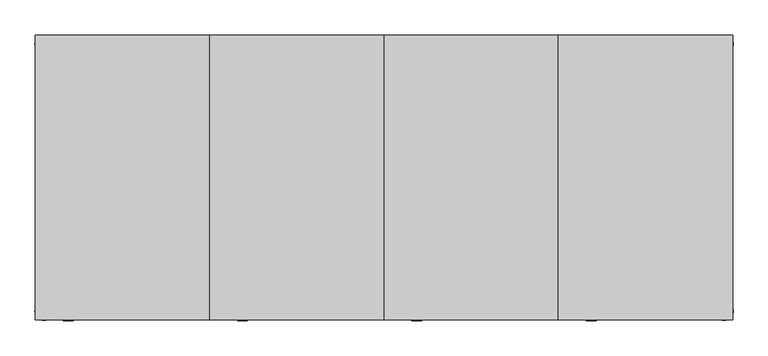
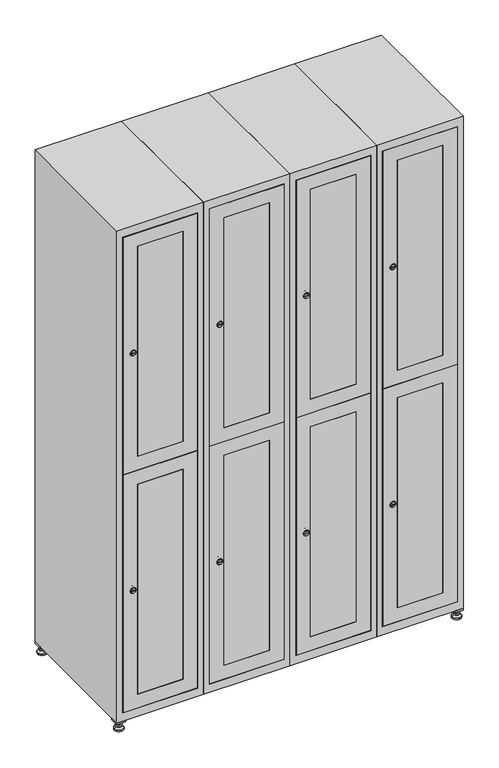
"""IFC4 building model written with IfcOpenShell, lengths in millimetres: furniture geometry."""

from ifc_helpers import new_model, si_unit, point, frame, frame_2d, origin, origin_with_axes, place, context, project, spatial, polyline, circle_curve, trimmed, segment, composite_curve, outline, extrude, faceted_brep, source, transform, mapped, element, save
from ifc_brep_helpers import plane_surface, revolved_surface, advanced_brep


def furniture_8f48bf38(model_context):
    return source(origin(), model_context, "Body", "SolidModel", [
        extrude(outline(polyline([(1000.0, 245.0), (1000.0, 215.0), (970.0, 215.0), (970.0, 245.0), (1000.0, 245.0)]), holes=[polyline([(998.0, 243.0), (972.0, 243.0), (972.0, 217.0), (998.0, 217.0), (998.0, 243.0)])]), frame((0.0, 0.0, 28.5), z_axis=(0.0, 0.0, 1.0), x_axis=(1.0, 0.0, 0.0)), (0.0, 0.0, 1.0), 6.5),
        extrude(outline(polyline([(970.0, -245.0), (970.0, -215.0), (1000.0, -215.0), (1000.0, -245.0), (970.0, -245.0)]), holes=[polyline([(972.0, -243.0), (998.0, -243.0), (998.0, -217.0), (972.0, -217.0), (972.0, -243.0)])]), frame((0.0, 0.0, 28.5), z_axis=(0.0, 0.0, 1.0), x_axis=(1.0, 0.0, 0.0)), (0.0, 0.0, 1.0), 6.5),
        extrude(outline(polyline([(-170.0, 245.0), (-170.0, 215.0), (-200.0, 215.0), (-200.0, 245.0), (-170.0, 245.0)]), holes=[polyline([(-172.0, 243.0), (-198.0, 243.0), (-198.0, 217.0), (-172.0, 217.0), (-172.0, 243.0)])]), frame((0.0, 0.0, 28.5), z_axis=(0.0, 0.0, 1.0), x_axis=(1.0, 0.0, 0.0)), (0.0, 0.0, 1.0), 6.5),
        extrude(outline(polyline([(-170.0, -215.0), (-170.0, -245.0), (-200.0, -245.0), (-200.0, -215.0), (-170.0, -215.0)]), holes=[polyline([(-198.0, -243.0), (-172.0, -243.0), (-172.0, -217.0), (-198.0, -217.0), (-198.0, -243.0)])]), frame((0.0, 0.0, 28.5), z_axis=(0.0, 0.0, 1.0), x_axis=(1.0, 0.0, 0.0)), (0.0, 0.0, 1.0), 6.5),
        extrude(outline(composite_curve([segment(trimmed(circle_curve(frame_2d((-185.0, 230.0)), 5.0), [point((-180.0, 230.0))], [point((-190.0, 230.0))], False, "CARTESIAN"), True, "CONTINUOUS"), segment(trimmed(circle_curve(frame_2d((-185.0, 230.0)), 5.0), [point((-190.0, 230.0))], [point((-180.0, 230.0))], False, "CARTESIAN"), True, "CONTINUOUS")], self_intersect=False)), frame((0.0, 0.0, 19.6), z_axis=(0.0, 0.0, 1.0), x_axis=(1.0, 0.0, 0.0)), (0.0, 0.0, 1.0), 15.4),
        extrude(outline(composite_curve([segment(trimmed(circle_curve(frame_2d((-185.0, -230.0)), 5.0), [point((-180.0, -230.0))], [point((-190.0, -230.0))], False, "CARTESIAN"), True, "CONTINUOUS"), segment(trimmed(circle_curve(frame_2d((-185.0, -230.0)), 5.0), [point((-190.0, -230.0))], [point((-180.0, -230.0))], False, "CARTESIAN"), True, "CONTINUOUS")], self_intersect=False)), frame((0.0, 0.0, 19.6), z_axis=(0.0, 0.0, 1.0), x_axis=(1.0, 0.0, 0.0)), (0.0, 0.0, 1.0), 15.4),
        extrude(outline(composite_curve([segment(trimmed(circle_curve(frame_2d((985.0, 230.0)), 5.0), [point((990.0, 230.0))], [point((980.0, 230.0))], False, "CARTESIAN"), True, "CONTINUOUS"), segment(trimmed(circle_curve(frame_2d((985.0, 230.0)), 5.0), [point((980.0, 230.0))], [point((990.0, 230.0))], False, "CARTESIAN"), True, "CONTINUOUS")], self_intersect=False)), frame((0.0, 0.0, 19.6), z_axis=(0.0, 0.0, 1.0), x_axis=(1.0, 0.0, 0.0)), (0.0, 0.0, 1.0), 15.4),
        extrude(outline(polyline([(973.4529946, 230.0), (979.2264973, 240.0), (990.7735027, 240.0), (996.5470054, 230.0), (990.7735027, 220.0), (979.2264973, 220.0), (973.4529946, 230.0)])), frame((0.0, 0.0, 13.6), z_axis=(0.0, 0.0, 1.0), x_axis=(1.0, 0.0, 0.0)), (0.0, 0.0, 1.0), 6.0),
        extrude(outline(composite_curve([segment(trimmed(circle_curve(frame_2d((985.0, -230.0)), 5.0), [point((990.0, -230.0))], [point((980.0, -230.0))], False, "CARTESIAN"), True, "CONTINUOUS"), segment(trimmed(circle_curve(frame_2d((985.0, -230.0)), 5.0), [point((980.0, -230.0))], [point((990.0, -230.0))], False, "CARTESIAN"), True, "CONTINUOUS")], self_intersect=False)), frame((0.0, 0.0, 19.6), z_axis=(0.0, 0.0, 1.0), x_axis=(1.0, 0.0, 0.0)), (0.0, 0.0, 1.0), 15.4),
        extrude(outline(polyline([(973.4529946, -230.0), (979.2264973, -220.0), (990.7735027, -220.0), (996.5470054, -230.0), (990.7735027, -240.0), (979.2264973, -240.0), (973.4529946, -230.0)])), frame((0.0, 0.0, 13.6), z_axis=(0.0, 0.0, 1.0), x_axis=(1.0, 0.0, 0.0)), (0.0, 0.0, 1.0), 6.0),
        extrude(outline(composite_curve([segment(trimmed(circle_curve(frame_2d((985.0, 230.0)), 5.0), [point((990.0, 230.0))], [point((980.0, 230.0))], False, "CARTESIAN"), True, "CONTINUOUS"), segment(trimmed(circle_curve(frame_2d((985.0, 230.0)), 5.0), [point((980.0, 230.0))], [point((990.0, 230.0))], False, "CARTESIAN"), True, "CONTINUOUS")], self_intersect=False)), frame((0.0, 0.0, 12.1), z_axis=(0.0, 0.0, 1.0), x_axis=(1.0, 0.0, 0.0)), (0.0, 0.0, 1.0), 1.5),
        extrude(outline(composite_curve([segment(trimmed(circle_curve(frame_2d((985.0, -230.0)), 5.0), [point((990.0, -230.0))], [point((980.0, -230.0))], False, "CARTESIAN"), True, "CONTINUOUS"), segment(trimmed(circle_curve(frame_2d((985.0, -230.0)), 5.0), [point((980.0, -230.0))], [point((990.0, -230.0))], False, "CARTESIAN"), True, "CONTINUOUS")], self_intersect=False)), frame((0.0, 0.0, 12.1), z_axis=(0.0, 0.0, 1.0), x_axis=(1.0, 0.0, 0.0)), (0.0, 0.0, 1.0), 1.5),
        extrude(outline(polyline([(-196.5470054, 230.0), (-190.7735027, 240.0), (-179.2264973, 240.0), (-173.4529946, 230.0), (-179.2264973, 220.0), (-190.7735027, 220.0), (-196.5470054, 230.0)])), frame((0.0, 0.0, 13.6), z_axis=(0.0, 0.0, 1.0), x_axis=(1.0, 0.0, 0.0)), (0.0, 0.0, 1.0), 6.0),
        extrude(outline(polyline([(-196.5470054, -230.0), (-190.7735027, -220.0), (-179.2264973, -220.0), (-173.4529946, -230.0), (-179.2264973, -240.0), (-190.7735027, -240.0), (-196.5470054, -230.0)])), frame((0.0, 0.0, 13.6), z_axis=(0.0, 0.0, 1.0), x_axis=(1.0, 0.0, 0.0)), (0.0, 0.0, 1.0), 6.0),
        extrude(outline(composite_curve([segment(trimmed(circle_curve(frame_2d((-185.0, 230.0)), 5.0), [point((-185.0, 235.0))], [point((-185.0, 225.0))], False, "CARTESIAN"), True, "CONTINUOUS"), segment(trimmed(circle_curve(frame_2d((-185.0, 230.0)), 5.0), [point((-185.0, 225.0))], [point((-185.0, 235.0))], False, "CARTESIAN"), True, "CONTINUOUS")], self_intersect=False)), frame((0.0, 0.0, 12.1), z_axis=(0.0, 0.0, 1.0), x_axis=(1.0, 0.0, 0.0)), (0.0, 0.0, 1.0), 1.5),
        extrude(outline(composite_curve([segment(trimmed(circle_curve(frame_2d((-185.0, -230.0)), 5.0), [point((-180.0, -230.0))], [point((-190.0, -230.0))], False, "CARTESIAN"), True, "CONTINUOUS"), segment(trimmed(circle_curve(frame_2d((-185.0, -230.0)), 5.0), [point((-190.0, -230.0))], [point((-180.0, -230.0))], False, "CARTESIAN"), True, "CONTINUOUS")], self_intersect=False)), frame((0.0, 0.0, 12.1), z_axis=(0.0, 0.0, 1.0), x_axis=(1.0, 0.0, 0.0)), (0.0, 0.0, 1.0), 1.5),
        extrude(outline(composite_curve([segment(trimmed(circle_curve(frame_2d((985.0, 230.0)), 15.75), [point((1000.75, 230.0))], [point((969.25, 230.0))], False, "CARTESIAN"), True, "CONTINUOUS"), segment(trimmed(circle_curve(frame_2d((985.0, 230.0)), 15.75), [point((969.25, 230.0))], [point((1000.75, 230.0))], False, "CARTESIAN"), True, "CONTINUOUS")], self_intersect=False)), origin_with_axes(), (0.0, 0.0, 1.0), 5.1),
        extrude(outline(composite_curve([segment(trimmed(circle_curve(frame_2d((985.0, -230.0)), 15.75), [point((985.0, -214.25))], [point((985.0, -245.75))], False, "CARTESIAN"), True, "CONTINUOUS"), segment(trimmed(circle_curve(frame_2d((985.0, -230.0)), 15.75), [point((985.0, -245.75))], [point((985.0, -214.25))], False, "CARTESIAN"), True, "CONTINUOUS")], self_intersect=False)), origin_with_axes(), (0.0, 0.0, 1.0), 5.1),
        extrude(outline(composite_curve([segment(trimmed(circle_curve(frame_2d((-185.0, -230.0)), 15.75), [point((-169.25, -230.0))], [point((-200.75, -230.0))], False, "CARTESIAN"), True, "CONTINUOUS"), segment(trimmed(circle_curve(frame_2d((-185.0, -230.0)), 15.75), [point((-200.75, -230.0))], [point((-169.25, -230.0))], False, "CARTESIAN"), True, "CONTINUOUS")], self_intersect=False)), origin_with_axes(), (0.0, 0.0, 1.0), 5.1),
        extrude(outline(composite_curve([segment(trimmed(circle_curve(frame_2d((-185.0, 230.0)), 15.75), [point((-169.25, 230.0))], [point((-200.75, 230.0))], False, "CARTESIAN"), True, "CONTINUOUS"), segment(trimmed(circle_curve(frame_2d((-185.0, 230.0)), 15.75), [point((-200.75, 230.0))], [point((-169.25, 230.0))], False, "CARTESIAN"), True, "CONTINUOUS")], self_intersect=False)), origin_with_axes(), (0.0, 0.0, 1.0), 5.1),
        advanced_brep(
        [(-185.0, 245.75, 5.1), (-185.0, 214.25, 5.1), (-185.0, 239.5, 12.1), (-185.0, 220.5, 12.1)],
        [
            (0, 1, circle_curve(frame((-185.0, 230.0, 5.1), z_axis=(0.0, 0.0, -1.0), x_axis=(0.0, 1.0, 0.0)), 15.75)),
            (1, 0, circle_curve(frame((-185.0, 230.0, 5.1), z_axis=(0.0, 0.0, -1.0), x_axis=(0.0, -1.0, 0.0)), 15.75)),
            (2, 3, circle_curve(frame((-185.0, 230.0, 12.1), z_axis=(0.0, 0.0, 1.0), x_axis=(0.0, -1.0, 0.0)), 9.5)),
            (3, 2, circle_curve(frame((-185.0, 230.0, 12.1), z_axis=(0.0, 0.0, 1.0), x_axis=(0.0, 1.0, 0.0)), 9.5)),
            (3, 1),
            (0, 2),
        ],
        [
            plane_surface(frame((-185.0, 230.0, 5.1), z_axis=(0.0, 0.0, -1.0), x_axis=(1.0, 0.0, 0.0))),
            plane_surface(frame((-185.0, 230.0, 12.1), z_axis=(0.0, 0.0, 1.0), x_axis=(1.0, 0.0, 0.0))),
            revolved_surface(polyline([(-185.0, 220.5, 12.099999999999998), (-185.0, 214.25, 5.099999999999998)]), (-185.0, 230.0, 22.74), (0.0, 0.0, -1.0)),
            revolved_surface(polyline([(-185.0, 239.5, 12.099999999999998), (-185.0, 245.75, 5.099999999999998)]), (-185.0, 230.0, 22.74), (0.0, 0.0, -1.0)),
        ],
        [
            (0, [[1, 2]]),
            (1, [[3, 4]]),
            (2, [[-4, 5, -1, 6]]),
            (3, [[-3, -6, -2, -5]]),
        ],
    ),
        advanced_brep(
        [(985.0, 245.75, 5.1), (985.0, 214.25, 5.1), (985.0, 239.5, 12.1), (985.0, 220.5, 12.1)],
        [
            (0, 1, circle_curve(frame((985.0, 230.0, 5.1), z_axis=(0.0, 0.0, -1.0), x_axis=(0.0, 1.0, 0.0)), 15.75)),
            (1, 0, circle_curve(frame((985.0, 230.0, 5.1), z_axis=(0.0, 0.0, -1.0), x_axis=(0.0, -1.0, 0.0)), 15.75)),
            (2, 3, circle_curve(frame((985.0, 230.0, 12.1), z_axis=(0.0, 0.0, 1.0), x_axis=(0.0, -1.0, 0.0)), 9.5)),
            (3, 2, circle_curve(frame((985.0, 230.0, 12.1), z_axis=(0.0, 0.0, 1.0), x_axis=(0.0, 1.0, 0.0)), 9.5)),
            (3, 1),
            (0, 2),
        ],
        [
            plane_surface(frame((985.0, 230.0, 5.1), z_axis=(0.0, 0.0, -1.0), x_axis=(1.0, 0.0, 0.0))),
            plane_surface(frame((985.0, 230.0, 12.1), z_axis=(0.0, 0.0, 1.0), x_axis=(1.0, 0.0, 0.0))),
            revolved_surface(polyline([(985.0, 220.5, 12.099999999999998), (985.0, 214.25, 5.099999999999998)]), (985.0, 230.0, 22.74), (0.0, 0.0, -1.0)),
            revolved_surface(polyline([(985.0, 239.5, 12.099999999999998), (985.0, 245.75, 5.099999999999998)]), (985.0, 230.0, 22.74), (0.0, 0.0, -1.0)),
        ],
        [
            (0, [[1, 2]]),
            (1, [[3, 4]]),
            (2, [[-4, 5, -1, 6]]),
            (3, [[-3, -6, -2, -5]]),
        ],
    ),
        advanced_brep(
        [(994.5, -230.0, 12.1), (975.5, -230.0, 12.1), (1000.75, -230.0, 5.1), (969.25, -230.0, 5.1)],
        [
            (0, 1, circle_curve(frame((985.0, -230.0, 12.1), z_axis=(0.0, 0.0, 1.0), x_axis=(1.0, 0.0, 0.0)), 9.5)),
            (1, 0, circle_curve(frame((985.0, -230.0, 12.1), z_axis=(0.0, 0.0, 1.0), x_axis=(-1.0, 0.0, 0.0)), 9.5)),
            (2, 3, circle_curve(frame((985.0, -230.0, 5.1), z_axis=(0.0, 0.0, -1.0), x_axis=(-1.0, 0.0, 0.0)), 15.75)),
            (3, 2, circle_curve(frame((985.0, -230.0, 5.1), z_axis=(0.0, 0.0, -1.0), x_axis=(1.0, 0.0, 0.0)), 15.75)),
            (3, 1),
            (0, 2),
        ],
        [
            plane_surface(frame((985.0, -230.0, 12.1), z_axis=(0.0, 0.0, 1.0), x_axis=(0.0, 1.0, 0.0))),
            plane_surface(frame((985.0, -230.0, 5.1), z_axis=(0.0, 0.0, -1.0), x_axis=(0.0, 1.0, 0.0))),
            revolved_surface(polyline([(994.5, -230.0, 12.099999999999998), (1000.75, -230.0, 5.099999999999998)]), (985.0, -230.0, 22.74), (0.0, 0.0, -1.0)),
            revolved_surface(polyline([(975.5, -230.0, 12.099999999999998), (969.25, -230.0, 5.099999999999998)]), (985.0, -230.0, 22.74), (0.0, 0.0, -1.0)),
        ],
        [
            (0, [[1, 2]]),
            (1, [[3, 4]]),
            (2, [[-4, 5, -1, 6]]),
            (3, [[-3, -6, -2, -5]]),
        ],
    ),
        advanced_brep(
        [(-175.5, -230.0, 12.1), (-194.5, -230.0, 12.1), (-169.25, -230.0, 5.1), (-200.75, -230.0, 5.1)],
        [
            (0, 1, circle_curve(frame((-185.0, -230.0, 12.1), z_axis=(0.0, 0.0, 1.0), x_axis=(1.0, 0.0, 0.0)), 9.5)),
            (1, 0, circle_curve(frame((-185.0, -230.0, 12.1), z_axis=(0.0, 0.0, 1.0), x_axis=(-1.0, 0.0, 0.0)), 9.5)),
            (2, 3, circle_curve(frame((-185.0, -230.0, 5.1), z_axis=(0.0, 0.0, -1.0), x_axis=(-1.0, 0.0, 0.0)), 15.75)),
            (3, 2, circle_curve(frame((-185.0, -230.0, 5.1), z_axis=(0.0, 0.0, -1.0), x_axis=(1.0, 0.0, 0.0)), 15.75)),
            (3, 1),
            (0, 2),
        ],
        [
            plane_surface(frame((-185.0, -230.0, 12.1), z_axis=(0.0, 0.0, 1.0), x_axis=(0.0, 1.0, 0.0))),
            plane_surface(frame((-185.0, -230.0, 5.1), z_axis=(0.0, 0.0, -1.0), x_axis=(0.0, 1.0, 0.0))),
            revolved_surface(polyline([(-175.5, -230.0, 12.099999999999998), (-169.25, -230.0, 5.099999999999998)]), (-185.0, -230.0, 22.74), (0.0, 0.0, -1.0)),
            revolved_surface(polyline([(-194.5, -230.0, 12.099999999999998), (-200.75, -230.0, 5.099999999999998)]), (-185.0, -230.0, 22.74), (0.0, 0.0, -1.0)),
        ],
        [
            (0, [[1, 2]]),
            (1, [[3, 4]]),
            (2, [[-4, 5, -1, 6]]),
            (3, [[-3, -6, -2, -5]]),
        ],
    ),
        extrude(outline(composite_curve([segment(trimmed(circle_curve(frame_2d((1369.4, 729.6010534)), 7.0), [point((1376.4, 729.6010534))], [point((1362.4, 729.6010534))], False, "CARTESIAN"), True, "CONTINUOUS"), segment(polyline([(1362.4, 729.6010534), (1362.4, 757.6010534)]), True, "CONTINUOUS"), segment(trimmed(circle_curve(frame_2d((1369.4, 757.6010534)), 7.0), [point((1362.4, 757.6010534))], [point((1376.4, 757.6010534))], False, "CARTESIAN"), True, "CONTINUOUS"), segment(polyline([(1376.4, 757.6010534), (1376.4, 729.6010534)]), True, "CONTINUOUS")], self_intersect=False)), frame((0.0, -227.0, 0.0), z_axis=(0.0, 1.0, 0.0), x_axis=(0.0, 0.0, 1.0)), (0.0, 0.0, 1.0), 2.0),
        advanced_brep(
        [(764.9, -247.2, 1369.4), (747.9, -247.2, 1369.4), (751.4, -247.2, 1368.15), (751.4, -247.2, 1370.65), (761.4, -247.2, 1370.65), (761.4, -247.2, 1368.15), (766.9, -245.0, 1369.4), (745.9, -245.0, 1369.4), (751.4, -245.0, 1370.65), (751.4, -245.0, 1368.15), (761.4, -245.0, 1368.15), (761.4, -245.0, 1370.65)],
        [
            (0, 1, circle_curve(frame((756.4, -247.2, 1369.4), z_axis=(0.0, -1.0, 0.0), x_axis=(1.0, 0.0, 0.0)), 8.5)),
            (1, 0, circle_curve(frame((756.4, -247.2, 1369.4), z_axis=(0.0, -1.0, 0.0), x_axis=(-1.0, 0.0, 0.0)), 8.5)),
            (2, 3),
            (3, 4),
            (4, 5),
            (5, 2),
            (6, 7, circle_curve(frame((756.4, -245.0, 1369.4), z_axis=(0.0, 1.0, 0.0), x_axis=(-1.0, 0.0, 0.0)), 10.5)),
            (7, 6, circle_curve(frame((756.4, -245.0, 1369.4), z_axis=(0.0, 1.0, 0.0), x_axis=(1.0, 0.0, 0.0)), 10.5)),
            (8, 9),
            (9, 10),
            (10, 11),
            (11, 8),
            (0, 6),
            (7, 1),
            (8, 3),
            (2, 9),
            (11, 4),
            (10, 5),
        ],
        [
            plane_surface(frame((756.4, -247.2, 1369.4), z_axis=(0.0, -1.0, 0.0), x_axis=(0.0, 0.0, 1.0))),
            plane_surface(frame((756.4, -245.0, 1369.4), z_axis=(0.0, 1.0, 0.0), x_axis=(0.0, 0.0, 1.0))),
            revolved_surface(polyline([(764.9, -247.2, 1369.4), (766.9, -245.0, 1369.4)]), (756.4, -256.55, 1369.4), (0.0, 1.0, 0.0)),
            revolved_surface(polyline([(747.9, -247.2, 1369.4), (745.9, -245.0, 1369.4)]), (756.4, -256.55, 1369.4), (0.0, 1.0, 0.0)),
            plane_surface(frame((751.4, -245.0, 1368.15), z_axis=(1.0, 0.0, 0.0), x_axis=(0.0, -1.0, 0.0))),
            plane_surface(frame((751.4, -245.0, 1370.65), z_axis=(0.0, 0.0, -1.0), x_axis=(0.0, -1.0, 0.0))),
            plane_surface(frame((761.4, -245.0, 1370.65), z_axis=(-1.0, 0.0, 0.0), x_axis=(0.0, -1.0, 0.0))),
            plane_surface(frame((761.4, -245.0, 1368.15), z_axis=(0.0, 0.0, 1.0), x_axis=(0.0, -1.0, 0.0))),
        ],
        [
            (0, [[1, 2], [3, 4, 5, 6]]),
            (1, [[7, 8], [9, 10, 11, 12]]),
            (2, [[-1, 13, -8, 14]]),
            (3, [[-2, -14, -7, -13]]),
            (4, [[15, -3, 16, -9]]),
            (5, [[-15, -12, 17, -4]]),
            (6, [[-17, -11, 18, -5]]),
            (7, [[-16, -6, -18, -10]]),
        ],
    ),
        extrude(outline(composite_curve([segment(trimmed(circle_curve(frame_2d((500.6, 729.6010534)), 7.0), [point((507.6, 729.6010534))], [point((493.6, 729.6010534))], False, "CARTESIAN"), True, "CONTINUOUS"), segment(polyline([(493.6, 729.6010534), (493.6, 757.6010534)]), True, "CONTINUOUS"), segment(trimmed(circle_curve(frame_2d((500.6, 757.6010534)), 7.0), [point((493.6, 757.6010534))], [point((507.6, 757.6010534))], False, "CARTESIAN"), True, "CONTINUOUS"), segment(polyline([(507.6, 757.6010534), (507.6, 729.6010534)]), True, "CONTINUOUS")], self_intersect=False)), frame((0.0, -227.0, 0.0), z_axis=(0.0, 1.0, 0.0), x_axis=(0.0, 0.0, 1.0)), (0.0, 0.0, 1.0), 2.0),
        advanced_brep(
        [(764.9, -247.2, 500.6), (747.9, -247.2, 500.6), (751.4, -247.2, 499.35), (751.4, -247.2, 501.85), (761.4, -247.2, 501.85), (761.4, -247.2, 499.35), (766.9, -245.0, 500.6), (745.9, -245.0, 500.6), (751.4, -245.0, 501.85), (751.4, -245.0, 499.35), (761.4, -245.0, 499.35), (761.4, -245.0, 501.85)],
        [
            (0, 1, circle_curve(frame((756.4, -247.2, 500.6), z_axis=(0.0, -1.0, 0.0), x_axis=(1.0, 0.0, 0.0)), 8.5)),
            (1, 0, circle_curve(frame((756.4, -247.2, 500.6), z_axis=(0.0, -1.0, 0.0), x_axis=(-1.0, 0.0, 0.0)), 8.5)),
            (2, 3),
            (3, 4),
            (4, 5),
            (5, 2),
            (6, 7, circle_curve(frame((756.4, -245.0, 500.6), z_axis=(0.0, 1.0, 0.0), x_axis=(-1.0, 0.0, 0.0)), 10.5)),
            (7, 6, circle_curve(frame((756.4, -245.0, 500.6), z_axis=(0.0, 1.0, 0.0), x_axis=(1.0, 0.0, 0.0)), 10.5)),
            (8, 9),
            (9, 10),
            (10, 11),
            (11, 8),
            (0, 6),
            (7, 1),
            (8, 3),
            (2, 9),
            (11, 4),
            (10, 5),
        ],
        [
            plane_surface(frame((756.4, -247.2, 500.6), z_axis=(0.0, -1.0, 0.0), x_axis=(0.0, 0.0, 1.0))),
            plane_surface(frame((756.4, -245.0, 500.6), z_axis=(0.0, 1.0, 0.0), x_axis=(0.0, 0.0, 1.0))),
            revolved_surface(polyline([(764.9, -247.2, 500.6), (766.9, -245.0, 500.6)]), (756.4, -256.55, 500.6), (0.0, 1.0, 0.0)),
            revolved_surface(polyline([(747.9, -247.2, 500.6), (745.9, -245.0, 500.6)]), (756.4, -256.55, 500.6), (0.0, 1.0, 0.0)),
            plane_surface(frame((751.4, -245.0, 499.35), z_axis=(1.0, 0.0, 0.0), x_axis=(0.0, -1.0, 0.0))),
            plane_surface(frame((751.4, -245.0, 501.85), z_axis=(0.0, 0.0, -1.0), x_axis=(0.0, -1.0, 0.0))),
            plane_surface(frame((761.4, -245.0, 501.85), z_axis=(-1.0, 0.0, 0.0), x_axis=(0.0, -1.0, 0.0))),
            plane_surface(frame((761.4, -245.0, 499.35), z_axis=(0.0, 0.0, 1.0), x_axis=(0.0, -1.0, 0.0))),
        ],
        [
            (0, [[1, 2], [3, 4, 5, 6]]),
            (1, [[7, 8], [9, 10, 11, 12]]),
            (2, [[-1, 13, -8, 14]]),
            (3, [[-2, -14, -7, -13]]),
            (4, [[15, -3, 16, -9]]),
            (5, [[-15, -12, 17, -4]]),
            (6, [[-17, -11, 18, -5]]),
            (7, [[-16, -6, -18, -10]]),
        ],
    ),
        extrude(outline(polyline([(935.5, 978.6), (1803.8, 978.6), (1803.8, 721.4), (935.5, 721.4), (935.5, 978.6)]), holes=[polyline([(1753.8, 771.4), (1753.8, 928.6), (985.5, 928.6), (985.5, 771.4), (1753.8, 771.4)])]), frame((0.0, -245.0, 0.0), z_axis=(0.0, 1.0, 0.0), x_axis=(0.0, 0.0, 1.0)), (0.0, 0.0, 1.0), 18.0),
        extrude(outline(polyline([(934.5, 721.4), (66.2, 721.4), (66.2, 978.6), (934.5, 978.6), (934.5, 721.4)]), holes=[polyline([(116.2, 771.4), (884.5, 771.4), (884.5, 928.6), (116.2, 928.6), (116.2, 771.4)])]), frame((0.0, -245.0, 0.0), z_axis=(0.0, 1.0, 0.0), x_axis=(0.0, 0.0, 1.0)), (0.0, 0.0, 1.0), 18.0),
        extrude(outline(polyline([(928.6, -245.0), (771.4, -245.0), (771.4, -227.0), (928.6, -227.0), (928.6, -245.0)])), frame((0.0, 0.0, 985.5), z_axis=(0.0, 0.0, 1.0), x_axis=(1.0, 0.0, 0.0)), (0.0, 0.0, 1.0), 768.3),
        extrude(outline(polyline([(928.6, -245.0), (771.4, -245.0), (771.4, -227.0), (928.6, -227.0), (928.6, -245.0)])), frame((0.0, 0.0, 116.2), z_axis=(0.0, 0.0, 1.0), x_axis=(1.0, 0.0, 0.0)), (0.0, 0.0, 1.0), 768.3),
        extrude(outline(polyline([(979.6, 242.0), (979.6, -227.0), (720.4, -227.0), (720.4, 242.0), (979.6, 242.0)])), frame((0.0, 0.0, 924.8), z_axis=(0.0, 0.0, 1.0), x_axis=(1.0, 0.0, 0.0)), (0.0, 0.0, 1.0), 20.4),
        faceted_brep([(1000.0, -245.0, 35.0), (1000.0, -245.0, 1835.0), (700.0, -245.0, 1835.0), (700.0, -245.0, 35.0), (979.6, -245.0, 1804.8), (979.6, -245.0, 65.2), (720.4, -245.0, 65.2), (720.4, -245.0, 1804.8), (1000.0, 245.0, 35.0), (700.0, 245.0, 35.0), (1000.0, 245.0, 1835.0), (700.0, 245.0, 1835.0), (979.6, 242.0, 1804.8), (979.6, 242.0, 65.2), (700.0, 245.0, 1804.8), (720.4, 242.0, 1804.8), (720.4, 242.0, 65.2)], [[[0, 1, 2, 3], [4, 5, 6, 7]], [[8, 0, 3, 9]], [[1, 0, 8, 10]], [[1, 10, 11, 2]], [[4, 12, 13, 5]], [[9, 3, 2, 11, 14]], [[10, 8, 9, 14, 11]], [[12, 15, 16, 13]], [[15, 7, 6, 16]], [[4, 7, 15, 12]], [[6, 5, 13, 16]]]),
        extrude(outline(composite_curve([segment(trimmed(circle_curve(frame_2d((1369.4, 429.6010534)), 7.0), [point((1376.4, 429.6010534))], [point((1362.4, 429.6010534))], False, "CARTESIAN"), True, "CONTINUOUS"), segment(polyline([(1362.4, 429.6010534), (1362.4, 457.6010534)]), True, "CONTINUOUS"), segment(trimmed(circle_curve(frame_2d((1369.4, 457.6010534)), 7.0), [point((1362.4, 457.6010534))], [point((1376.4, 457.6010534))], False, "CARTESIAN"), True, "CONTINUOUS"), segment(polyline([(1376.4, 457.6010534), (1376.4, 429.6010534)]), True, "CONTINUOUS")], self_intersect=False)), frame((0.0, -227.0, 0.0), z_axis=(0.0, 1.0, 0.0), x_axis=(0.0, 0.0, 1.0)), (0.0, 0.0, 1.0), 2.0),
        advanced_brep(
        [(464.9, -247.2, 1369.4), (447.9, -247.2, 1369.4), (451.4, -247.2, 1368.15), (451.4, -247.2, 1370.65), (461.4, -247.2, 1370.65), (461.4, -247.2, 1368.15), (466.9, -245.0, 1369.4), (445.9, -245.0, 1369.4), (451.4, -245.0, 1370.65), (451.4, -245.0, 1368.15), (461.4, -245.0, 1368.15), (461.4, -245.0, 1370.65)],
        [
            (0, 1, circle_curve(frame((456.4, -247.2, 1369.4), z_axis=(0.0, -1.0, 0.0), x_axis=(1.0, 0.0, 0.0)), 8.5)),
            (1, 0, circle_curve(frame((456.4, -247.2, 1369.4), z_axis=(0.0, -1.0, 0.0), x_axis=(-1.0, 0.0, 0.0)), 8.5)),
            (2, 3),
            (3, 4),
            (4, 5),
            (5, 2),
            (6, 7, circle_curve(frame((456.4, -245.0, 1369.4), z_axis=(0.0, 1.0, 0.0), x_axis=(-1.0, 0.0, 0.0)), 10.5)),
            (7, 6, circle_curve(frame((456.4, -245.0, 1369.4), z_axis=(0.0, 1.0, 0.0), x_axis=(1.0, 0.0, 0.0)), 10.5)),
            (8, 9),
            (9, 10),
            (10, 11),
            (11, 8),
            (0, 6),
            (7, 1),
            (8, 3),
            (2, 9),
            (11, 4),
            (10, 5),
        ],
        [
            plane_surface(frame((456.4, -247.2, 1369.4), z_axis=(0.0, -1.0, 0.0), x_axis=(0.0, 0.0, 1.0))),
            plane_surface(frame((456.4, -245.0, 1369.4), z_axis=(0.0, 1.0, 0.0), x_axis=(0.0, 0.0, 1.0))),
            revolved_surface(polyline([(464.9, -247.2, 1369.4), (466.9, -245.0, 1369.4)]), (456.4, -256.55, 1369.4), (0.0, 1.0, 0.0)),
            revolved_surface(polyline([(447.9, -247.2, 1369.4), (445.9, -245.0, 1369.4)]), (456.4, -256.55, 1369.4), (0.0, 1.0, 0.0)),
            plane_surface(frame((451.4, -245.0, 1368.15), z_axis=(1.0, 0.0, 0.0), x_axis=(0.0, -1.0, 0.0))),
            plane_surface(frame((451.4, -245.0, 1370.65), z_axis=(0.0, 0.0, -1.0), x_axis=(0.0, -1.0, 0.0))),
            plane_surface(frame((461.4, -245.0, 1370.65), z_axis=(-1.0, 0.0, 0.0), x_axis=(0.0, -1.0, 0.0))),
            plane_surface(frame((461.4, -245.0, 1368.15), z_axis=(0.0, 0.0, 1.0), x_axis=(0.0, -1.0, 0.0))),
        ],
        [
            (0, [[1, 2], [3, 4, 5, 6]]),
            (1, [[7, 8], [9, 10, 11, 12]]),
            (2, [[-1, 13, -8, 14]]),
            (3, [[-2, -14, -7, -13]]),
            (4, [[15, -3, 16, -9]]),
            (5, [[-15, -12, 17, -4]]),
            (6, [[-17, -11, 18, -5]]),
            (7, [[-16, -6, -18, -10]]),
        ],
    ),
        extrude(outline(composite_curve([segment(trimmed(circle_curve(frame_2d((500.6, 429.6010534)), 7.0), [point((507.6, 429.6010534))], [point((493.6, 429.6010534))], False, "CARTESIAN"), True, "CONTINUOUS"), segment(polyline([(493.6, 429.6010534), (493.6, 457.6010534)]), True, "CONTINUOUS"), segment(trimmed(circle_curve(frame_2d((500.6, 457.6010534)), 7.0), [point((493.6, 457.6010534))], [point((507.6, 457.6010534))], False, "CARTESIAN"), True, "CONTINUOUS"), segment(polyline([(507.6, 457.6010534), (507.6, 429.6010534)]), True, "CONTINUOUS")], self_intersect=False)), frame((0.0, -227.0, 0.0), z_axis=(0.0, 1.0, 0.0), x_axis=(0.0, 0.0, 1.0)), (0.0, 0.0, 1.0), 2.0),
        advanced_brep(
        [(464.9, -247.2, 500.6), (447.9, -247.2, 500.6), (451.4, -247.2, 499.35), (451.4, -247.2, 501.85), (461.4, -247.2, 501.85), (461.4, -247.2, 499.35), (466.9, -245.0, 500.6), (445.9, -245.0, 500.6), (451.4, -245.0, 501.85), (451.4, -245.0, 499.35), (461.4, -245.0, 499.35), (461.4, -245.0, 501.85)],
        [
            (0, 1, circle_curve(frame((456.4, -247.2, 500.6), z_axis=(0.0, -1.0, 0.0), x_axis=(1.0, 0.0, 0.0)), 8.5)),
            (1, 0, circle_curve(frame((456.4, -247.2, 500.6), z_axis=(0.0, -1.0, 0.0), x_axis=(-1.0, 0.0, 0.0)), 8.5)),
            (2, 3),
            (3, 4),
            (4, 5),
            (5, 2),
            (6, 7, circle_curve(frame((456.4, -245.0, 500.6), z_axis=(0.0, 1.0, 0.0), x_axis=(-1.0, 0.0, 0.0)), 10.5)),
            (7, 6, circle_curve(frame((456.4, -245.0, 500.6), z_axis=(0.0, 1.0, 0.0), x_axis=(1.0, 0.0, 0.0)), 10.5)),
            (8, 9),
            (9, 10),
            (10, 11),
            (11, 8),
            (0, 6),
            (7, 1),
            (8, 3),
            (2, 9),
            (11, 4),
            (10, 5),
        ],
        [
            plane_surface(frame((456.4, -247.2, 500.6), z_axis=(0.0, -1.0, 0.0), x_axis=(0.0, 0.0, 1.0))),
            plane_surface(frame((456.4, -245.0, 500.6), z_axis=(0.0, 1.0, 0.0), x_axis=(0.0, 0.0, 1.0))),
            revolved_surface(polyline([(464.9, -247.2, 500.6), (466.9, -245.0, 500.6)]), (456.4, -256.55, 500.6), (0.0, 1.0, 0.0)),
            revolved_surface(polyline([(447.9, -247.2, 500.6), (445.9, -245.0, 500.6)]), (456.4, -256.55, 500.6), (0.0, 1.0, 0.0)),
            plane_surface(frame((451.4, -245.0, 499.35), z_axis=(1.0, 0.0, 0.0), x_axis=(0.0, -1.0, 0.0))),
            plane_surface(frame((451.4, -245.0, 501.85), z_axis=(0.0, 0.0, -1.0), x_axis=(0.0, -1.0, 0.0))),
            plane_surface(frame((461.4, -245.0, 501.85), z_axis=(-1.0, 0.0, 0.0), x_axis=(0.0, -1.0, 0.0))),
            plane_surface(frame((461.4, -245.0, 499.35), z_axis=(0.0, 0.0, 1.0), x_axis=(0.0, -1.0, 0.0))),
        ],
        [
            (0, [[1, 2], [3, 4, 5, 6]]),
            (1, [[7, 8], [9, 10, 11, 12]]),
            (2, [[-1, 13, -8, 14]]),
            (3, [[-2, -14, -7, -13]]),
            (4, [[15, -3, 16, -9]]),
            (5, [[-15, -12, 17, -4]]),
            (6, [[-17, -11, 18, -5]]),
            (7, [[-16, -6, -18, -10]]),
        ],
    ),
        extrude(outline(polyline([(935.5, 678.6), (1803.8, 678.6), (1803.8, 421.4), (935.5, 421.4), (935.5, 678.6)]), holes=[polyline([(1753.8, 471.4), (1753.8, 628.6), (985.5, 628.6), (985.5, 471.4), (1753.8, 471.4)])]), frame((0.0, -245.0, 0.0), z_axis=(0.0, 1.0, 0.0), x_axis=(0.0, 0.0, 1.0)), (0.0, 0.0, 1.0), 18.0),
        extrude(outline(polyline([(934.5, 421.4), (66.2, 421.4), (66.2, 678.6), (934.5, 678.6), (934.5, 421.4)]), holes=[polyline([(116.2, 471.4), (884.5, 471.4), (884.5, 628.6), (116.2, 628.6), (116.2, 471.4)])]), frame((0.0, -245.0, 0.0), z_axis=(0.0, 1.0, 0.0), x_axis=(0.0, 0.0, 1.0)), (0.0, 0.0, 1.0), 18.0),
        extrude(outline(polyline([(628.6, -245.0), (471.4, -245.0), (471.4, -227.0), (628.6, -227.0), (628.6, -245.0)])), frame((0.0, 0.0, 985.5), z_axis=(0.0, 0.0, 1.0), x_axis=(1.0, 0.0, 0.0)), (0.0, 0.0, 1.0), 768.3),
        extrude(outline(polyline([(628.6, -245.0), (471.4, -245.0), (471.4, -227.0), (628.6, -227.0), (628.6, -245.0)])), frame((0.0, 0.0, 116.2), z_axis=(0.0, 0.0, 1.0), x_axis=(1.0, 0.0, 0.0)), (0.0, 0.0, 1.0), 768.3),
        extrude(outline(polyline([(679.6, 242.0), (679.6, -227.0), (420.4, -227.0), (420.4, 242.0), (679.6, 242.0)])), frame((0.0, 0.0, 924.8), z_axis=(0.0, 0.0, 1.0), x_axis=(1.0, 0.0, 0.0)), (0.0, 0.0, 1.0), 20.4),
        faceted_brep([(700.0, -245.0, 35.0), (700.0, -245.0, 1835.0), (400.0, -245.0, 1835.0), (400.0, -245.0, 35.0), (679.6, -245.0, 1804.8), (679.6, -245.0, 65.2), (420.4, -245.0, 65.2), (420.4, -245.0, 1804.8), (700.0, 245.0, 35.0), (400.0, 245.0, 35.0), (700.0, 245.0, 1835.0), (400.0, 245.0, 1835.0), (679.6, 242.0, 1804.8), (679.6, 242.0, 65.2), (400.0, 245.0, 1804.8), (420.4, 242.0, 1804.8), (420.4, 242.0, 65.2)], [[[0, 1, 2, 3], [4, 5, 6, 7]], [[8, 0, 3, 9]], [[1, 0, 8, 10]], [[1, 10, 11, 2]], [[4, 12, 13, 5]], [[9, 3, 2, 11, 14]], [[10, 8, 9, 14, 11]], [[12, 15, 16, 13]], [[15, 7, 6, 16]], [[4, 7, 15, 12]], [[6, 5, 13, 16]]]),
        extrude(outline(composite_curve([segment(trimmed(circle_curve(frame_2d((1369.4, 129.6010534)), 7.0), [point((1376.4, 129.6010534))], [point((1362.4, 129.6010534))], False, "CARTESIAN"), True, "CONTINUOUS"), segment(polyline([(1362.4, 129.6010534), (1362.4, 157.6010534)]), True, "CONTINUOUS"), segment(trimmed(circle_curve(frame_2d((1369.4, 157.6010534)), 7.0), [point((1362.4, 157.6010534))], [point((1376.4, 157.6010534))], False, "CARTESIAN"), True, "CONTINUOUS"), segment(polyline([(1376.4, 157.6010534), (1376.4, 129.6010534)]), True, "CONTINUOUS")], self_intersect=False)), frame((0.0, -227.0, 0.0), z_axis=(0.0, 1.0, 0.0), x_axis=(0.0, 0.0, 1.0)), (0.0, 0.0, 1.0), 2.0),
        advanced_brep(
        [(164.9, -247.2, 1369.4), (147.9, -247.2, 1369.4), (151.4, -247.2, 1368.15), (151.4, -247.2, 1370.65), (161.4, -247.2, 1370.65), (161.4, -247.2, 1368.15), (166.9, -245.0, 1369.4), (145.9, -245.0, 1369.4), (151.4, -245.0, 1370.65), (151.4, -245.0, 1368.15), (161.4, -245.0, 1368.15), (161.4, -245.0, 1370.65)],
        [
            (0, 1, circle_curve(frame((156.4, -247.2, 1369.4), z_axis=(0.0, -1.0, 0.0), x_axis=(1.0, 0.0, 0.0)), 8.5)),
            (1, 0, circle_curve(frame((156.4, -247.2, 1369.4), z_axis=(0.0, -1.0, 0.0), x_axis=(-1.0, 0.0, 0.0)), 8.5)),
            (2, 3),
            (3, 4),
            (4, 5),
            (5, 2),
            (6, 7, circle_curve(frame((156.4, -245.0, 1369.4), z_axis=(0.0, 1.0, 0.0), x_axis=(-1.0, 0.0, 0.0)), 10.5)),
            (7, 6, circle_curve(frame((156.4, -245.0, 1369.4), z_axis=(0.0, 1.0, 0.0), x_axis=(1.0, 0.0, 0.0)), 10.5)),
            (8, 9),
            (9, 10),
            (10, 11),
            (11, 8),
            (0, 6),
            (7, 1),
            (8, 3),
            (2, 9),
            (11, 4),
            (10, 5),
        ],
        [
            plane_surface(frame((156.4, -247.2, 1369.4), z_axis=(0.0, -1.0, 0.0), x_axis=(0.0, 0.0, 1.0))),
            plane_surface(frame((156.4, -245.0, 1369.4), z_axis=(0.0, 1.0, 0.0), x_axis=(0.0, 0.0, 1.0))),
            revolved_surface(polyline([(164.9, -247.2, 1369.4), (166.9, -245.0, 1369.4)]), (156.4, -256.55, 1369.4), (0.0, 1.0, 0.0)),
            revolved_surface(polyline([(147.9, -247.2, 1369.4), (145.9, -245.0, 1369.4)]), (156.4, -256.55, 1369.4), (0.0, 1.0, 0.0)),
            plane_surface(frame((151.4, -245.0, 1368.15), z_axis=(1.0, 0.0, 0.0), x_axis=(0.0, -1.0, 0.0))),
            plane_surface(frame((151.4, -245.0, 1370.65), z_axis=(0.0, 0.0, -1.0), x_axis=(0.0, -1.0, 0.0))),
            plane_surface(frame((161.4, -245.0, 1370.65), z_axis=(-1.0, 0.0, 0.0), x_axis=(0.0, -1.0, 0.0))),
            plane_surface(frame((161.4, -245.0, 1368.15), z_axis=(0.0, 0.0, 1.0), x_axis=(0.0, -1.0, 0.0))),
        ],
        [
            (0, [[1, 2], [3, 4, 5, 6]]),
            (1, [[7, 8], [9, 10, 11, 12]]),
            (2, [[-1, 13, -8, 14]]),
            (3, [[-2, -14, -7, -13]]),
            (4, [[15, -3, 16, -9]]),
            (5, [[-15, -12, 17, -4]]),
            (6, [[-17, -11, 18, -5]]),
            (7, [[-16, -6, -18, -10]]),
        ],
    ),
        extrude(outline(composite_curve([segment(trimmed(circle_curve(frame_2d((500.6, 129.6010534)), 7.0), [point((507.6, 129.6010534))], [point((493.6, 129.6010534))], False, "CARTESIAN"), True, "CONTINUOUS"), segment(polyline([(493.6, 129.6010534), (493.6, 157.6010534)]), True, "CONTINUOUS"), segment(trimmed(circle_curve(frame_2d((500.6, 157.6010534)), 7.0), [point((493.6, 157.6010534))], [point((507.6, 157.6010534))], False, "CARTESIAN"), True, "CONTINUOUS"), segment(polyline([(507.6, 157.6010534), (507.6, 129.6010534)]), True, "CONTINUOUS")], self_intersect=False)), frame((0.0, -227.0, 0.0), z_axis=(0.0, 1.0, 0.0), x_axis=(0.0, 0.0, 1.0)), (0.0, 0.0, 1.0), 2.0),
        advanced_brep(
        [(164.9, -247.2, 500.6), (147.9, -247.2, 500.6), (151.4, -247.2, 499.35), (151.4, -247.2, 501.85), (161.4, -247.2, 501.85), (161.4, -247.2, 499.35), (166.9, -245.0, 500.6), (145.9, -245.0, 500.6), (151.4, -245.0, 501.85), (151.4, -245.0, 499.35), (161.4, -245.0, 499.35), (161.4, -245.0, 501.85)],
        [
            (0, 1, circle_curve(frame((156.4, -247.2, 500.6), z_axis=(0.0, -1.0, 0.0), x_axis=(1.0, 0.0, 0.0)), 8.5)),
            (1, 0, circle_curve(frame((156.4, -247.2, 500.6), z_axis=(0.0, -1.0, 0.0), x_axis=(-1.0, 0.0, 0.0)), 8.5)),
            (2, 3),
            (3, 4),
            (4, 5),
            (5, 2),
            (6, 7, circle_curve(frame((156.4, -245.0, 500.6), z_axis=(0.0, 1.0, 0.0), x_axis=(-1.0, 0.0, 0.0)), 10.5)),
            (7, 6, circle_curve(frame((156.4, -245.0, 500.6), z_axis=(0.0, 1.0, 0.0), x_axis=(1.0, 0.0, 0.0)), 10.5)),
            (8, 9),
            (9, 10),
            (10, 11),
            (11, 8),
            (0, 6),
            (7, 1),
            (8, 3),
            (2, 9),
            (11, 4),
            (10, 5),
        ],
        [
            plane_surface(frame((156.4, -247.2, 500.6), z_axis=(0.0, -1.0, 0.0), x_axis=(0.0, 0.0, 1.0))),
            plane_surface(frame((156.4, -245.0, 500.6), z_axis=(0.0, 1.0, 0.0), x_axis=(0.0, 0.0, 1.0))),
            revolved_surface(polyline([(164.9, -247.2, 500.6), (166.9, -245.0, 500.6)]), (156.4, -256.55, 500.6), (0.0, 1.0, 0.0)),
            revolved_surface(polyline([(147.9, -247.2, 500.6), (145.9, -245.0, 500.6)]), (156.4, -256.55, 500.6), (0.0, 1.0, 0.0)),
            plane_surface(frame((151.4, -245.0, 499.35), z_axis=(1.0, 0.0, 0.0), x_axis=(0.0, -1.0, 0.0))),
            plane_surface(frame((151.4, -245.0, 501.85), z_axis=(0.0, 0.0, -1.0), x_axis=(0.0, -1.0, 0.0))),
            plane_surface(frame((161.4, -245.0, 501.85), z_axis=(-1.0, 0.0, 0.0), x_axis=(0.0, -1.0, 0.0))),
            plane_surface(frame((161.4, -245.0, 499.35), z_axis=(0.0, 0.0, 1.0), x_axis=(0.0, -1.0, 0.0))),
        ],
        [
            (0, [[1, 2], [3, 4, 5, 6]]),
            (1, [[7, 8], [9, 10, 11, 12]]),
            (2, [[-1, 13, -8, 14]]),
            (3, [[-2, -14, -7, -13]]),
            (4, [[15, -3, 16, -9]]),
            (5, [[-15, -12, 17, -4]]),
            (6, [[-17, -11, 18, -5]]),
            (7, [[-16, -6, -18, -10]]),
        ],
    ),
        extrude(outline(polyline([(935.5, 378.6), (1803.8, 378.6), (1803.8, 121.4), (935.5, 121.4), (935.5, 378.6)]), holes=[polyline([(1753.8, 171.4), (1753.8, 328.6), (985.5, 328.6), (985.5, 171.4), (1753.8, 171.4)])]), frame((0.0, -245.0, 0.0), z_axis=(0.0, 1.0, 0.0), x_axis=(0.0, 0.0, 1.0)), (0.0, 0.0, 1.0), 18.0),
        extrude(outline(polyline([(934.5, 121.4), (66.2, 121.4), (66.2, 378.6), (934.5, 378.6), (934.5, 121.4)]), holes=[polyline([(116.2, 171.4), (884.5, 171.4), (884.5, 328.6), (116.2, 328.6), (116.2, 171.4)])]), frame((0.0, -245.0, 0.0), z_axis=(0.0, 1.0, 0.0), x_axis=(0.0, 0.0, 1.0)), (0.0, 0.0, 1.0), 18.0),
        extrude(outline(polyline([(328.6, -245.0), (171.4, -245.0), (171.4, -227.0), (328.6, -227.0), (328.6, -245.0)])), frame((0.0, 0.0, 985.5), z_axis=(0.0, 0.0, 1.0), x_axis=(1.0, 0.0, 0.0)), (0.0, 0.0, 1.0), 768.3),
        extrude(outline(polyline([(328.6, -245.0), (171.4, -245.0), (171.4, -227.0), (328.6, -227.0), (328.6, -245.0)])), frame((0.0, 0.0, 116.2), z_axis=(0.0, 0.0, 1.0), x_axis=(1.0, 0.0, 0.0)), (0.0, 0.0, 1.0), 768.3),
        extrude(outline(polyline([(379.6, 242.0), (379.6, -227.0), (120.4, -227.0), (120.4, 242.0), (379.6, 242.0)])), frame((0.0, 0.0, 924.8), z_axis=(0.0, 0.0, 1.0), x_axis=(1.0, 0.0, 0.0)), (0.0, 0.0, 1.0), 20.4),
        faceted_brep([(400.0, -245.0, 35.0), (400.0, -245.0, 1835.0), (100.0, -245.0, 1835.0), (100.0, -245.0, 35.0), (379.6, -245.0, 1804.8), (379.6, -245.0, 65.2), (120.4, -245.0, 65.2), (120.4, -245.0, 1804.8), (400.0, 245.0, 35.0), (100.0, 245.0, 35.0), (400.0, 245.0, 1835.0), (100.0, 245.0, 1835.0), (379.6, 242.0, 1804.8), (379.6, 242.0, 65.2), (100.0, 245.0, 1804.8), (120.4, 242.0, 1804.8), (120.4, 242.0, 65.2)], [[[0, 1, 2, 3], [4, 5, 6, 7]], [[8, 0, 3, 9]], [[1, 0, 8, 10]], [[1, 10, 11, 2]], [[4, 12, 13, 5]], [[9, 3, 2, 11, 14]], [[10, 8, 9, 14, 11]], [[12, 15, 16, 13]], [[15, 7, 6, 16]], [[4, 7, 15, 12]], [[6, 5, 13, 16]]]),
        extrude(outline(composite_curve([segment(trimmed(circle_curve(frame_2d((1369.4, -170.3989466)), 7.0), [point((1376.4, -170.3989466))], [point((1362.4, -170.3989466))], False, "CARTESIAN"), True, "CONTINUOUS"), segment(polyline([(1362.4, -170.3989466), (1362.4, -142.3989466)]), True, "CONTINUOUS"), segment(trimmed(circle_curve(frame_2d((1369.4, -142.3989466)), 7.0), [point((1362.4, -142.3989466))], [point((1376.4, -142.3989466))], False, "CARTESIAN"), True, "CONTINUOUS"), segment(polyline([(1376.4, -142.3989466), (1376.4, -170.3989466)]), True, "CONTINUOUS")], self_intersect=False)), frame((0.0, -227.0, 0.0), z_axis=(0.0, 1.0, 0.0), x_axis=(0.0, 0.0, 1.0)), (0.0, 0.0, 1.0), 2.0),
        advanced_brep(
        [(-135.1, -247.2, 1369.4), (-152.1, -247.2, 1369.4), (-148.6, -247.2, 1368.15), (-148.6, -247.2, 1370.65), (-138.6, -247.2, 1370.65), (-138.6, -247.2, 1368.15), (-133.1, -245.0, 1369.4), (-154.1, -245.0, 1369.4), (-148.6, -245.0, 1370.65), (-148.6, -245.0, 1368.15), (-138.6, -245.0, 1368.15), (-138.6, -245.0, 1370.65)],
        [
            (0, 1, circle_curve(frame((-143.6, -247.2, 1369.4), z_axis=(0.0, -1.0, 0.0), x_axis=(1.0, 0.0, 0.0)), 8.5)),
            (1, 0, circle_curve(frame((-143.6, -247.2, 1369.4), z_axis=(0.0, -1.0, 0.0), x_axis=(-1.0, 0.0, 0.0)), 8.5)),
            (2, 3),
            (3, 4),
            (4, 5),
            (5, 2),
            (6, 7, circle_curve(frame((-143.6, -245.0, 1369.4), z_axis=(0.0, 1.0, 0.0), x_axis=(-1.0, 0.0, 0.0)), 10.5)),
            (7, 6, circle_curve(frame((-143.6, -245.0, 1369.4), z_axis=(0.0, 1.0, 0.0), x_axis=(1.0, 0.0, 0.0)), 10.5)),
            (8, 9),
            (9, 10),
            (10, 11),
            (11, 8),
            (0, 6),
            (7, 1),
            (8, 3),
            (2, 9),
            (11, 4),
            (10, 5),
        ],
        [
            plane_surface(frame((-143.6, -247.2, 1369.4), z_axis=(0.0, -1.0, 0.0), x_axis=(0.0, 0.0, 1.0))),
            plane_surface(frame((-143.6, -245.0, 1369.4), z_axis=(0.0, 1.0, 0.0), x_axis=(0.0, 0.0, 1.0))),
            revolved_surface(polyline([(-135.1, -247.2, 1369.4), (-133.1, -245.0, 1369.4)]), (-143.6, -256.55, 1369.4), (0.0, 1.0, 0.0)),
            revolved_surface(polyline([(-152.1, -247.2, 1369.4), (-154.1, -245.0, 1369.4)]), (-143.6, -256.55, 1369.4), (0.0, 1.0, 0.0)),
            plane_surface(frame((-148.6, -245.0, 1368.15), z_axis=(1.0, 0.0, 0.0), x_axis=(0.0, -1.0, 0.0))),
            plane_surface(frame((-148.6, -245.0, 1370.65), z_axis=(0.0, 0.0, -1.0), x_axis=(0.0, -1.0, 0.0))),
            plane_surface(frame((-138.6, -245.0, 1370.65), z_axis=(-1.0, 0.0, 0.0), x_axis=(0.0, -1.0, 0.0))),
            plane_surface(frame((-138.6, -245.0, 1368.15), z_axis=(0.0, 0.0, 1.0), x_axis=(0.0, -1.0, 0.0))),
        ],
        [
            (0, [[1, 2], [3, 4, 5, 6]]),
            (1, [[7, 8], [9, 10, 11, 12]]),
            (2, [[-1, 13, -8, 14]]),
            (3, [[-2, -14, -7, -13]]),
            (4, [[15, -3, 16, -9]]),
            (5, [[-15, -12, 17, -4]]),
            (6, [[-17, -11, 18, -5]]),
            (7, [[-16, -6, -18, -10]]),
        ],
    ),
        extrude(outline(composite_curve([segment(trimmed(circle_curve(frame_2d((500.6, -170.3989466)), 7.0), [point((507.6, -170.3989466))], [point((493.6, -170.3989466))], False, "CARTESIAN"), True, "CONTINUOUS"), segment(polyline([(493.6, -170.3989466), (493.6, -142.3989466)]), True, "CONTINUOUS"), segment(trimmed(circle_curve(frame_2d((500.6, -142.3989466)), 7.0), [point((493.6, -142.3989466))], [point((507.6, -142.3989466))], False, "CARTESIAN"), True, "CONTINUOUS"), segment(polyline([(507.6, -142.3989466), (507.6, -170.3989466)]), True, "CONTINUOUS")], self_intersect=False)), frame((0.0, -227.0, 0.0), z_axis=(0.0, 1.0, 0.0), x_axis=(0.0, 0.0, 1.0)), (0.0, 0.0, 1.0), 2.0),
        advanced_brep(
        [(-135.1, -247.2, 500.6), (-152.1, -247.2, 500.6), (-148.6, -247.2, 499.35), (-148.6, -247.2, 501.85), (-138.6, -247.2, 501.85), (-138.6, -247.2, 499.35), (-133.1, -245.0, 500.6), (-154.1, -245.0, 500.6), (-148.6, -245.0, 501.85), (-148.6, -245.0, 499.35), (-138.6, -245.0, 499.35), (-138.6, -245.0, 501.85)],
        [
            (0, 1, circle_curve(frame((-143.6, -247.2, 500.6), z_axis=(0.0, -1.0, 0.0), x_axis=(1.0, 0.0, 0.0)), 8.5)),
            (1, 0, circle_curve(frame((-143.6, -247.2, 500.6), z_axis=(0.0, -1.0, 0.0), x_axis=(-1.0, 0.0, 0.0)), 8.5)),
            (2, 3),
            (3, 4),
            (4, 5),
            (5, 2),
            (6, 7, circle_curve(frame((-143.6, -245.0, 500.6), z_axis=(0.0, 1.0, 0.0), x_axis=(-1.0, 0.0, 0.0)), 10.5)),
            (7, 6, circle_curve(frame((-143.6, -245.0, 500.6), z_axis=(0.0, 1.0, 0.0), x_axis=(1.0, 0.0, 0.0)), 10.5)),
            (8, 9),
            (9, 10),
            (10, 11),
            (11, 8),
            (0, 6),
            (7, 1),
            (8, 3),
            (2, 9),
            (11, 4),
            (10, 5),
        ],
        [
            plane_surface(frame((-143.6, -247.2, 500.6), z_axis=(0.0, -1.0, 0.0), x_axis=(0.0, 0.0, 1.0))),
            plane_surface(frame((-143.6, -245.0, 500.6), z_axis=(0.0, 1.0, 0.0), x_axis=(0.0, 0.0, 1.0))),
            revolved_surface(polyline([(-135.1, -247.2, 500.6), (-133.1, -245.0, 500.6)]), (-143.6, -256.55, 500.6), (0.0, 1.0, 0.0)),
            revolved_surface(polyline([(-152.1, -247.2, 500.6), (-154.1, -245.0, 500.6)]), (-143.6, -256.55, 500.6), (0.0, 1.0, 0.0)),
            plane_surface(frame((-148.6, -245.0, 499.35), z_axis=(1.0, 0.0, 0.0), x_axis=(0.0, -1.0, 0.0))),
            plane_surface(frame((-148.6, -245.0, 501.85), z_axis=(0.0, 0.0, -1.0), x_axis=(0.0, -1.0, 0.0))),
            plane_surface(frame((-138.6, -245.0, 501.85), z_axis=(-1.0, 0.0, 0.0), x_axis=(0.0, -1.0, 0.0))),
            plane_surface(frame((-138.6, -245.0, 499.35), z_axis=(0.0, 0.0, 1.0), x_axis=(0.0, -1.0, 0.0))),
        ],
        [
            (0, [[1, 2], [3, 4, 5, 6]]),
            (1, [[7, 8], [9, 10, 11, 12]]),
            (2, [[-1, 13, -8, 14]]),
            (3, [[-2, -14, -7, -13]]),
            (4, [[15, -3, 16, -9]]),
            (5, [[-15, -12, 17, -4]]),
            (6, [[-17, -11, 18, -5]]),
            (7, [[-16, -6, -18, -10]]),
        ],
    ),
        extrude(outline(polyline([(935.5, 78.6), (1803.8, 78.6), (1803.8, -178.6), (935.5, -178.6), (935.5, 78.6)]), holes=[polyline([(1753.8, -128.6), (1753.8, 28.6), (985.5, 28.6), (985.5, -128.6), (1753.8, -128.6)])]), frame((0.0, -245.0, 0.0), z_axis=(0.0, 1.0, 0.0), x_axis=(0.0, 0.0, 1.0)), (0.0, 0.0, 1.0), 18.0),
        extrude(outline(polyline([(934.5, -178.6), (66.2, -178.6), (66.2, 78.6), (934.5, 78.6), (934.5, -178.6)]), holes=[polyline([(116.2, -128.6), (884.5, -128.6), (884.5, 28.6), (116.2, 28.6), (116.2, -128.6)])]), frame((0.0, -245.0, 0.0), z_axis=(0.0, 1.0, 0.0), x_axis=(0.0, 0.0, 1.0)), (0.0, 0.0, 1.0), 18.0),
        extrude(outline(polyline([(28.6, -245.0), (-128.6, -245.0), (-128.6, -227.0), (28.6, -227.0), (28.6, -245.0)])), frame((0.0, 0.0, 985.5), z_axis=(0.0, 0.0, 1.0), x_axis=(1.0, 0.0, 0.0)), (0.0, 0.0, 1.0), 768.3),
        extrude(outline(polyline([(28.6, -245.0), (-128.6, -245.0), (-128.6, -227.0), (28.6, -227.0), (28.6, -245.0)])), frame((0.0, 0.0, 116.2), z_axis=(0.0, 0.0, 1.0), x_axis=(1.0, 0.0, 0.0)), (0.0, 0.0, 1.0), 768.3),
        extrude(outline(polyline([(79.6, 242.0), (79.6, -227.0), (-179.6, -227.0), (-179.6, 242.0), (79.6, 242.0)])), frame((0.0, 0.0, 924.8), z_axis=(0.0, 0.0, 1.0), x_axis=(1.0, 0.0, 0.0)), (0.0, 0.0, 1.0), 20.4),
        faceted_brep([(100.0, -245.0, 35.0), (100.0, -245.0, 1835.0), (-200.0, -245.0, 1835.0), (-200.0, -245.0, 35.0), (79.6, -245.0, 1804.8), (79.6, -245.0, 65.2), (-179.6, -245.0, 65.2), (-179.6, -245.0, 1804.8), (100.0, 245.0, 35.0), (-200.0, 245.0, 35.0), (100.0, 245.0, 1835.0), (-200.0, 245.0, 1835.0), (79.6, 242.0, 1804.8), (79.6, 242.0, 65.2), (-200.0, 245.0, 1804.8), (-179.6, 242.0, 1804.8), (-179.6, 242.0, 65.2)], [[[0, 1, 2, 3], [4, 5, 6, 7]], [[8, 0, 3, 9]], [[1, 0, 8, 10]], [[1, 10, 11, 2]], [[4, 12, 13, 5]], [[9, 3, 2, 11, 14]], [[10, 8, 9, 14, 11]], [[12, 15, 16, 13]], [[15, 7, 6, 16]], [[4, 7, 15, 12]], [[6, 5, 13, 16]]]),
    ])


if __name__ == "__main__":
    model = new_model("IFC4")
    model_context = context("Model", 3, world=origin())
    ifc_project = project(units=[si_unit("LENGTHUNIT", "METRE", prefix="MILLI")], contexts=[model_context])
    site = spatial("IfcSite", under=ifc_project)
    building = spatial("IfcBuilding", under=site)
    placement = place(None, origin())
    furniture_shape = furniture_8f48bf38(model_context)
    element("IfcFurniture", 1, at=placement, inside=building, context=model_context, shape_type="MappedRepresentation", body=[
        mapped(furniture_shape, transform((0.0, 0.0, 0.0), x_axis=(1.0, 0.0, 0.0), y_axis=(0.0, 1.0, 0.0), z_axis=(0.0, 0.0, 1.0))),
    ])
    save(model, "model.ifc")
